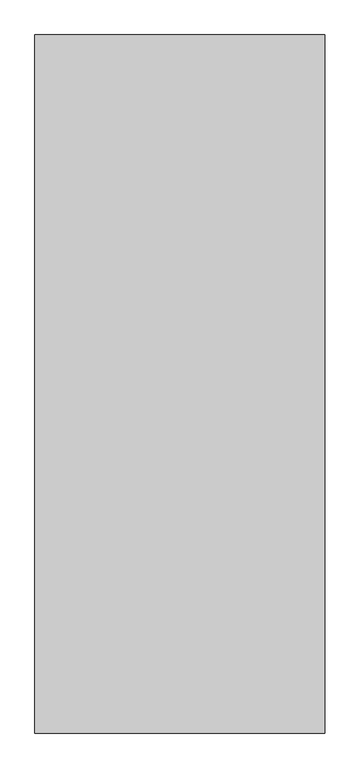
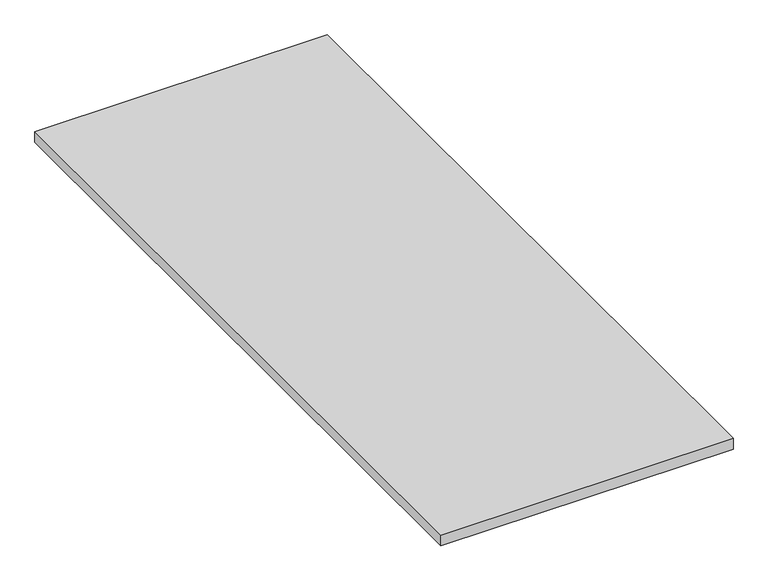
"""IFC4 building model written with IfcOpenShell, lengths in millimetres: furniture geometry."""

import ifcopenshell
import ifcopenshell.guid

model = None  # the IFC model being written
_history = None  # IfcOwnerHistory: only IFC2X3 demands one
_inside = {}  # id of a spatial element -> (the spatial element, [elements in it])
_under = {}  # id of a project, library or spatial element -> (it, [spatial elements below it])
_declared = {}  # id of a project -> (the project, [libraries it declares])
_typed = {}  # id of a type object -> (the type object, [elements of that type])
_made_of = {}  # id of a material, layer set ... -> (it, [elements and type objects made of it])


def new_model(schema):
    """Start an empty IFC model of exactly this schema.

    Asked for "IFC4X3", IfcOpenShell would pick the latest addendum, in which some entities
    have other attributes; the version numbers below select the first issue.
    IFC2X3 requires an IfcOwnerHistory on every rooted entity: one is made here for all.
    """
    global model, _history
    if schema == "IFC4X3":
        model = ifcopenshell.file(schema_version=(4, 3, 0, 0))
    else:
        model = ifcopenshell.file(schema=schema)
    _inside.clear()
    _under.clear()
    _declared.clear()
    _typed.clear()
    _made_of.clear()
    _history = None
    if model.schema == "IFC2X3":
        org = make("IfcOrganization", Name="unknown")
        user = make(
            "IfcPersonAndOrganization",
            ThePerson=make("IfcPerson", FamilyName="unknown"),
            TheOrganization=org,
        )
        app = make(
            "IfcApplication",
            ApplicationDeveloper=org,
            Version="unknown",
            ApplicationFullName="unknown",
            ApplicationIdentifier="unknown",
        )
        _history = make(
            "IfcOwnerHistory",
            OwningUser=user,
            OwningApplication=app,
            ChangeAction="ADDED",
            CreationDate=0,
        )
    return model


def make(cls, **values):
    """One entity of the class cls with the attributes given. An attribute that is None is left unset."""
    return model.create_entity(
        cls, **{name: value for name, value in values.items() if value is not None}
    )


def rooted(cls, **values):
    """An entity with a GlobalId (a new one), such as an element, a storey or a relation."""
    return make(cls, GlobalId=ifcopenshell.guid.new(), OwnerHistory=_history, **values)


def si_unit(unit_type, name, prefix=None):
    """IfcSIUnit, for example si_unit("LENGTHUNIT", "METRE", prefix="MILLI")."""
    return make("IfcSIUnit", UnitType=unit_type, Prefix=prefix, Name=name)


def assignment(units):
    """IfcUnitAssignment: the units of a project."""
    return None if units is None else make("IfcUnitAssignment", Units=units)


def point(xyz):
    """IfcCartesianPoint."""
    return None if xyz is None else make("IfcCartesianPoint", Coordinates=xyz)


def direction(xyz):
    """IfcDirection."""
    return None if xyz is None else make("IfcDirection", DirectionRatios=xyz)


def frame(location, z_axis=None, x_axis=None):
    """IfcAxis2Placement3D, a coordinate frame: its origin and axes. An axis left out is left unset."""
    return make(
        "IfcAxis2Placement3D",
        Location=point(location),
        Axis=direction(z_axis),
        RefDirection=direction(x_axis),
    )


def origin():
    """The frame at (0, 0, 0) with its axes left unset."""
    return frame((0.0, 0.0, 0.0))


def place(relative_to, where):
    """IfcLocalPlacement: puts the frame where relative to a parent placement (None: the world)."""
    return make(
        "IfcLocalPlacement", PlacementRelTo=relative_to, RelativePlacement=where
    )


def context(
    kind, dimensions, precision=None, world=None, true_north=None, identifier=None
):
    """IfcGeometricRepresentationContext, for example the 3D "Model" context."""
    return make(
        "IfcGeometricRepresentationContext",
        ContextIdentifier=identifier,
        ContextType=kind,
        CoordinateSpaceDimension=dimensions,
        Precision=precision,
        WorldCoordinateSystem=world,
        TrueNorth=true_north,
    )


def project(units=None, contexts=None):
    """IfcProject with its units and contexts."""
    return rooted(
        "IfcProject",
        Name="project",
        RepresentationContexts=contexts,
        UnitsInContext=assignment(units),
    )


def spatial(cls, under=None, at=None, **own):
    """A site, building, storey or space (cls), placed at a placement, below another one or the project."""
    s = rooted(cls, ObjectPlacement=at, **own)
    if under is not None:
        _under.setdefault(under.id(), (under, []))[1].append(s)
    return s


def polyline(points):
    """IfcPolyline through the points."""
    return make("IfcPolyline", Points=[point(p) for p in points])


def outline(outer, holes=None, kind="AREA"):
    """IfcArbitraryClosedProfileDef: a profile drawn as a closed curve; with holes, ...WithVoids."""
    if holes is None:
        return make("IfcArbitraryClosedProfileDef", ProfileType=kind, OuterCurve=outer)
    return make(
        "IfcArbitraryProfileDefWithVoids",
        ProfileType=kind,
        OuterCurve=outer,
        InnerCurves=holes,
    )


def extrude(swept, where, along, depth):
    """IfcExtrudedAreaSolid: the profile swept, set in the frame where, extruded along a direction by depth."""
    return make(
        "IfcExtrudedAreaSolid",
        SweptArea=swept,
        Position=where,
        ExtrudedDirection=direction(along),
        Depth=depth,
    )


def shape(context_of_items, identifier, shape_type, items):
    """IfcShapeRepresentation: the items that make up one representation, for example the "Body"."""
    return make(
        "IfcShapeRepresentation",
        ContextOfItems=context_of_items,
        RepresentationIdentifier=identifier,
        RepresentationType=shape_type,
        Items=items,
    )


def source(mapping_origin, context_of_items, identifier, shape_type, items):
    """IfcRepresentationMap: a shape defined once, which mapped items show again and again."""
    return make(
        "IfcRepresentationMap",
        MappingOrigin=mapping_origin,
        MappedRepresentation=shape(context_of_items, identifier, shape_type, items),
    )


def transform(
    local_origin,
    x_axis=None,
    y_axis=None,
    z_axis=None,
    scale=None,
    scale2=None,
    scale3=None,
    uniform=True,
):
    """IfcCartesianTransformationOperator3D, or its non-uniform kind. x_axis, y_axis, z_axis: its Axis1, 2, 3."""
    if uniform:
        return make(
            "IfcCartesianTransformationOperator3D",
            Axis1=direction(x_axis),
            Axis2=direction(y_axis),
            LocalOrigin=point(local_origin),
            Scale=scale,
            Axis3=direction(z_axis),
        )
    return make(
        "IfcCartesianTransformationOperator3DnonUniform",
        Axis1=direction(x_axis),
        Axis2=direction(y_axis),
        LocalOrigin=point(local_origin),
        Scale=scale,
        Axis3=direction(z_axis),
        Scale2=scale2,
        Scale3=scale3,
    )


def mapped(mapping_source, mapping_target):
    """IfcMappedItem: shows the shape of a source again, moved by a transform."""
    return make(
        "IfcMappedItem", MappingSource=mapping_source, MappingTarget=mapping_target
    )


def made_of(thing, what):
    """Note that an element or type object is made of a material, layer set ...; save() writes the relation."""
    if what is not None:
        _made_of.setdefault(what.id(), (what, []))[1].append(thing)
    return thing


def element(
    cls,
    number,
    at=None,
    inside=None,
    cuts=None,
    type_object=None,
    material=None,
    context=None,
    identifier="Body",
    shape_type=None,
    held_by="IfcProductDefinitionShape",
    body=None,
    shapes=None,
    **own,
):
    """One element of the class cls, such as IfcWall. Its Tag is "e" and its number.

    at: its placement. inside: the storey or other place that contains it. cuts: it is an
    opening in that element (IfcRelVoidsElement). A single representation is given by context,
    identifier, shape_type and body (its items); several are given by shapes. held_by: the class
    of the entity that holds the representations. save() writes the other relations.
    """
    e = rooted(cls, Tag="e%d" % number, ObjectPlacement=at, **own)
    if body is not None:
        shapes = [shape(context, identifier, shape_type, body)]
    if shapes is not None:
        e.Representation = make(held_by, Representations=shapes)
    if inside is not None:
        _inside.setdefault(inside.id(), (inside, []))[1].append(e)
    if cuts is not None:
        rooted(
            "IfcRelVoidsElement", RelatingBuildingElement=cuts, RelatedOpeningElement=e
        )
    if type_object is not None:
        _typed.setdefault(type_object.id(), (type_object, []))[1].append(e)
    return made_of(e, material)


def aggregate(whole, parts):
    """IfcRelAggregates: a whole, such as a stair, and the parts it consists of."""
    return rooted("IfcRelAggregates", RelatingObject=whole, RelatedObjects=parts)


def save(model, path):
    """Write the relations noted so far, then the file.

    IfcRelAggregates (storeys below a building ...), IfcRelContainedInSpatialStructure (elements
    in a storey), IfcRelDefinesByType, IfcRelAssociatesMaterial and IfcRelDeclares: one each for
    every whole, place, type object, material and project.
    """
    for whole, parts in _under.values():
        aggregate(whole, parts)
    for where, things in _inside.values():
        rooted(
            "IfcRelContainedInSpatialStructure",
            RelatedElements=things,
            RelatingStructure=where,
        )
    for kind, things in _typed.values():
        rooted("IfcRelDefinesByType", RelatedObjects=things, RelatingType=kind)
    for what, things in _made_of.values():
        rooted("IfcRelAssociatesMaterial", RelatedObjects=things, RelatingMaterial=what)
    for by, libraries in _declared.values():
        rooted("IfcRelDeclares", RelatingContext=by, RelatedDefinitions=libraries)
    model.write(path)


def furniture_650ef46a(model_context):
    return source(origin(), model_context, "Body", "SweptSolid", [
        extrude(outline(polyline([(-202.2825985, 284.1486437), (-202.2825985, -1543.1273563), (-961.2345985, -1543.1273563), (-961.2345985, 284.1486437), (-202.2825985, 284.1486437)])), frame((0.0, 0.0, 707.009), z_axis=(0.0, 0.0, 1.0), x_axis=(1.0, 0.0, 0.0)), (0.0, 0.0, 1.0), 29.591),
    ])


if __name__ == "__main__":
    model = new_model("IFC4")
    model_context = context("Model", 3, world=origin())
    ifc_project = project(units=[si_unit("LENGTHUNIT", "METRE", prefix="MILLI")], contexts=[model_context])
    site = spatial("IfcSite", under=ifc_project)
    building = spatial("IfcBuilding", under=site)
    placement = place(None, origin())
    furniture_shape = furniture_650ef46a(model_context)
    element("IfcFurniture", 1, at=placement, inside=building, context=model_context, shape_type="MappedRepresentation", body=[
        mapped(furniture_shape, transform((0.0, 0.0, 0.0), x_axis=(1.0, 0.0, 0.0), y_axis=(0.0, 1.0, 0.0), z_axis=(0.0, 0.0, 1.0))),
    ])
    save(model, "model.ifc")
